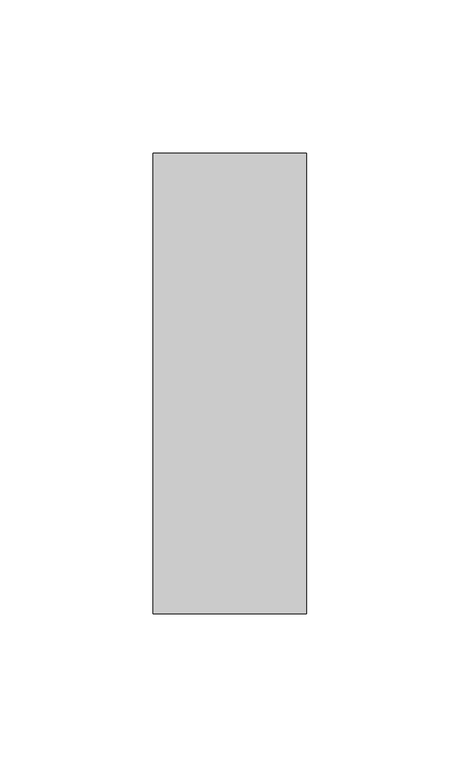
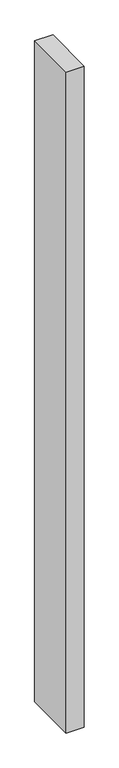
"""IFC4 building model written with IfcOpenShell, lengths in millimetres: member geometry."""

from ifc_helpers import new_model, si_unit, frame, origin, place, context, project, spatial, polyline, outline, extrude, source, transform, mapped, element, save


def member_24efe938(model_context):
    return source(origin(), model_context, "Body", "SweptSolid", [
        extrude(outline(polyline([(25.0, 75.0), (25.0, -75.0), (-25.0, -75.0), (-25.0, 75.0), (25.0, 75.0)])), frame((0.0, 0.0, -1925.0), z_axis=(0.0, 0.0, 1.0), x_axis=(1.0, 0.0, 0.0)), (0.0, 0.0, 1.0), 1925.0),
    ])


if __name__ == "__main__":
    model = new_model("IFC4")
    model_context = context("Model", 3, world=origin())
    ifc_project = project(units=[si_unit("LENGTHUNIT", "METRE", prefix="MILLI")], contexts=[model_context])
    site = spatial("IfcSite", under=ifc_project)
    building = spatial("IfcBuilding", under=site)
    placement = place(None, origin())
    member_shape = member_24efe938(model_context)
    element("IfcMember", 1, at=placement, inside=building, context=model_context, shape_type="MappedRepresentation", body=[
        mapped(member_shape, transform((0.0, 0.0, 0.0), x_axis=(1.0, 0.0, 0.0), y_axis=(0.0, 1.0, 0.0), z_axis=(0.0, 0.0, 1.0))),
    ])
    save(model, "model.ifc")
